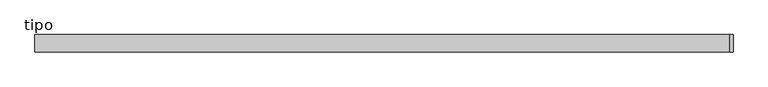
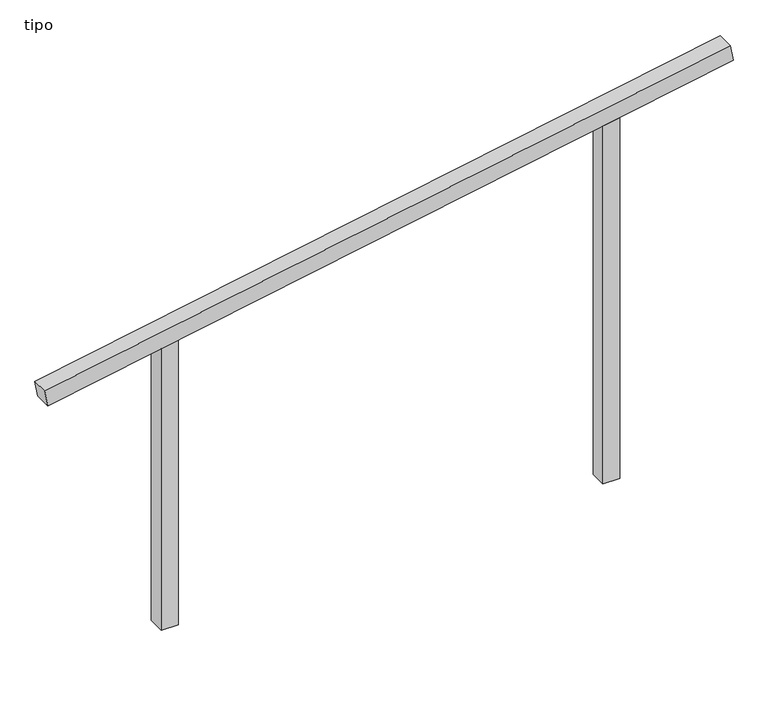
"""IFC4 building model written with IfcOpenShell, lengths in millimetres: proxy geometry, tipo."""

from ifc_helpers import new_model, si_unit, frame, origin, place, context, project, spatial, polyline, outline, extrude, source, transform, mapped, element, save


def tipo_c1cf00c2(model_context):
    return source(origin(), model_context, "Body", "SweptSolid", [
        extrude(outline(polyline([(0.0, -4100.0), (0.0, 0.0), (100.0, 0.0), (100.0, -4100.0), (0.0, -4100.0)])), frame((-2016.4706977, -100.0, 1630.7495087), z_axis=(-0.18012219087689005, 0.0, 0.9836442427797304), x_axis=(0.0, 1.0, 0.0)), (0.0, 0.0, 1.0), 100.0),
        extrude(outline(polyline([(2247.2082356, 1350.0), (2228.8965144, 1250.0), (0.0, 1250.0), (0.0, 1350.0), (2247.2082356, 1350.0)])), frame((0.0, -100.0, 0.0), z_axis=(0.0, 1.0, 0.0), x_axis=(0.0, 0.0, 1.0)), (0.0, 0.0, 1.0), 100.0),
        extrude(outline(polyline([(1752.7917644, -1350.0), (0.0, -1350.0), (0.0, -1250.0), (1771.1034856, -1250.0), (1752.7917644, -1350.0)])), frame((0.0, -100.0, 0.0), z_axis=(0.0, 1.0, 0.0), x_axis=(0.0, 0.0, 1.0)), (0.0, 0.0, 1.0), 100.0),
    ])


if __name__ == "__main__":
    model = new_model("IFC4")
    model_context = context("Model", 3, world=origin())
    ifc_project = project(units=[si_unit("LENGTHUNIT", "METRE", prefix="MILLI")], contexts=[model_context])
    site = spatial("IfcSite", under=ifc_project)
    building = spatial("IfcBuilding", under=site)
    placement = place(None, origin())
    tipo_shape = tipo_c1cf00c2(model_context)
    element("IfcBuildingElementProxy", 1, Name="tipo", ObjectType="tipo", at=placement, inside=building, context=model_context, shape_type="MappedRepresentation", body=[
        mapped(tipo_shape, transform((0.0, 0.0, 0.0), x_axis=(1.0, 0.0, 0.0), y_axis=(0.0, 1.0, 0.0), z_axis=(0.0, 0.0, 1.0))),
    ])
    save(model, "model.ifc")
